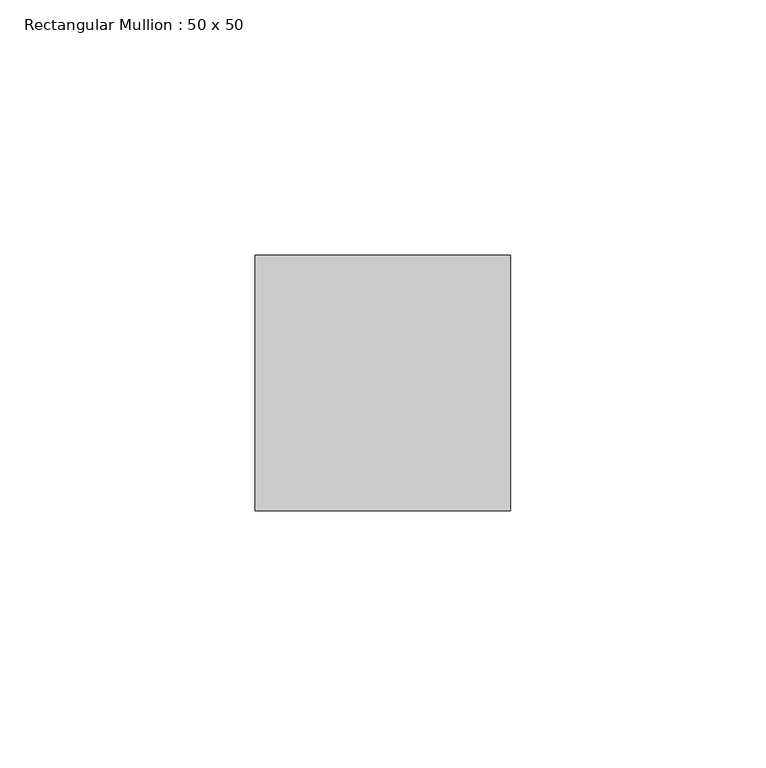
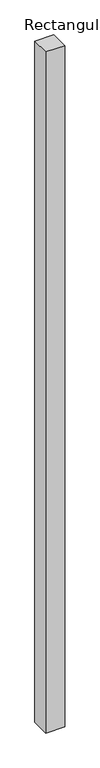
"""IFC4 building model written with IfcOpenShell, lengths in millimetres: member geometry, Rectangular Mullion : 50 x 50."""

from ifc_helpers import new_model, si_unit, frame, origin, place, context, project, spatial, polyline, outline, extrude, source, transform, mapped, element, save


def rectangular_mullion_50_x_50_94ed3db8(model_context):
    return source(origin(), model_context, "Body", "SweptSolid", [
        extrude(outline(polyline([(25.0, 25.0), (25.0, -25.0), (-25.0, -25.0), (-25.0, 25.0), (25.0, 25.0)])), frame((0.0, 0.0, -1909.4745864), z_axis=(0.0, 0.0, 1.0), x_axis=(1.0, 0.0, 0.0)), (0.0, 0.0, 1.0), 1909.4745864),
    ])


if __name__ == "__main__":
    model = new_model("IFC4")
    model_context = context("Model", 3, world=origin())
    ifc_project = project(units=[si_unit("LENGTHUNIT", "METRE", prefix="MILLI")], contexts=[model_context])
    site = spatial("IfcSite", under=ifc_project)
    building = spatial("IfcBuilding", under=site)
    placement = place(None, origin())
    rectangular_mullion_50_x_50_shape = rectangular_mullion_50_x_50_94ed3db8(model_context)
    element("IfcMember", 1, ObjectType="Rectangular Mullion : 50 x 50", at=placement, inside=building, context=model_context, shape_type="MappedRepresentation", body=[
        mapped(rectangular_mullion_50_x_50_shape, transform((0.0, 0.0, 0.0), x_axis=(1.0, 0.0, 0.0), y_axis=(0.0, 1.0, 0.0), z_axis=(0.0, 0.0, 1.0))),
    ])
    save(model, "model.ifc")
